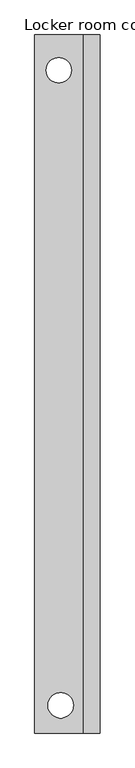
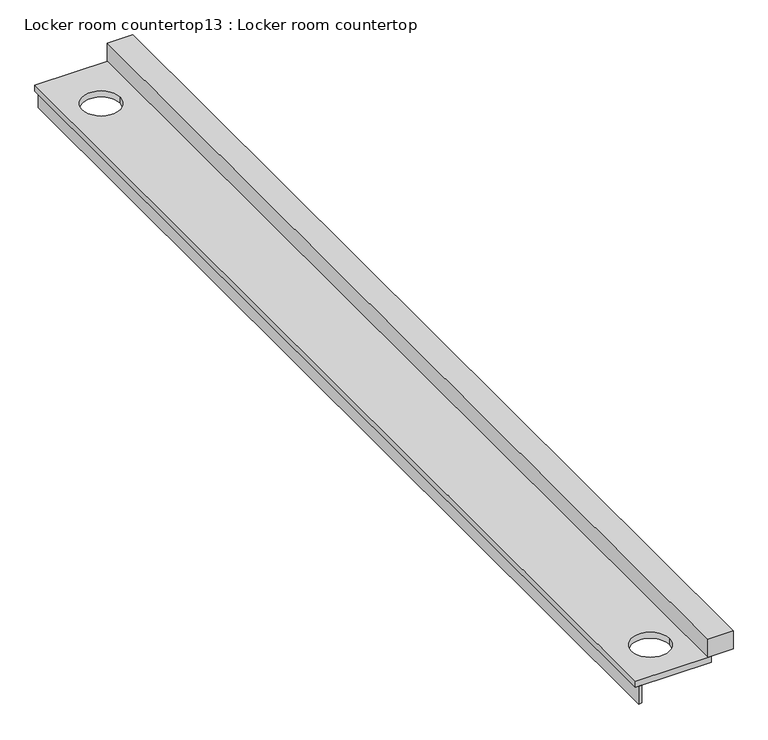
"""IFC4 building model written with IfcOpenShell, lengths in millimetres: furniture geometry, Locker room countertop13 : Locker room countertop."""

from ifc_helpers import new_model, si_unit, point, frame, frame_2d, origin, place, context, project, spatial, polyline, circle_curve, trimmed, segment, composite_curve, outline, extrude, source, transform, mapped, element, save


def locker_room_countertop13_locker_room_countertop_7bc187d3(model_context):
    return source(origin(), model_context, "Body", "SweptSolid", [
        extrude(outline(polyline([(459985.8504676, -270764.8080223), (459985.8504676, -262382.8080223), (460011.2504676, -262382.8080223), (460011.2504676, -270764.8080223), (459985.8504676, -270764.8080223)])), frame((0.0, 0.0, 660.4), z_axis=(0.0, 0.0, 1.0), x_axis=(1.0, 0.0, 0.0)), (0.0, 0.0, 1.0), 152.4),
        extrude(outline(polyline([(460544.6504676, -262382.8080223), (460747.8504676, -262382.8080223), (460747.8504676, -270764.8080223), (460544.6504676, -270764.8080223), (460544.6504676, -262382.8080223)])), frame((0.0, 0.0, 863.6), z_axis=(0.0, 0.0, 1.0), x_axis=(1.0, 0.0, 0.0)), (0.0, 0.0, 1.0), 152.4),
        extrude(outline(polyline([(459960.4504676, -262382.8080223), (460570.0504676, -262382.8080223), (460570.0504676, -270764.8080223), (459960.4504676, -270764.8080223), (459960.4504676, -262382.8080223)]), holes=[composite_curve([segment(trimmed(circle_curve(frame_2d((460249.1447559, -262807.2737766)), 152.4), [point((460401.5447559, -262807.2737766))], [point((460096.7447559, -262807.2737766))], True, "CARTESIAN"), True, "CONTINUOUS"), segment(trimmed(circle_curve(frame_2d((460249.1447559, -262807.2737766)), 152.4), [point((460096.7447559, -262807.2737766))], [point((460401.5447559, -262807.2737766))], True, "CARTESIAN"), True, "CONTINUOUS")], self_intersect=False), composite_curve([segment(trimmed(circle_curve(frame_2d((460272.581704, -270432.2263657)), 152.4), [point((460424.981704, -270432.2263657))], [point((460120.181704, -270432.2263657))], True, "CARTESIAN"), True, "CONTINUOUS"), segment(trimmed(circle_curve(frame_2d((460272.581704, -270432.2263657)), 152.4), [point((460120.181704, -270432.2263657))], [point((460424.981704, -270432.2263657))], True, "CARTESIAN"), True, "CONTINUOUS")], self_intersect=False)]), frame((0.0, 0.0, 812.8), z_axis=(0.0, 0.0, 1.0), x_axis=(1.0, 0.0, 0.0)), (0.0, 0.0, 1.0), 50.8),
    ])


if __name__ == "__main__":
    model = new_model("IFC4")
    model_context = context("Model", 3, world=origin())
    ifc_project = project(units=[si_unit("LENGTHUNIT", "METRE", prefix="MILLI")], contexts=[model_context])
    site = spatial("IfcSite", under=ifc_project)
    building = spatial("IfcBuilding", under=site)
    placement = place(None, origin())
    locker_room_countertop13_locker_room_countertop_shape = locker_room_countertop13_locker_room_countertop_7bc187d3(model_context)
    element("IfcFurniture", 1, ObjectType="Locker room countertop13 : Locker room countertop", at=placement, inside=building, context=model_context, shape_type="MappedRepresentation", body=[
        mapped(locker_room_countertop13_locker_room_countertop_shape, transform((0.0, 0.0, 0.0), x_axis=(1.0, 0.0, 0.0), y_axis=(0.0, 1.0, 0.0), z_axis=(0.0, 0.0, 1.0))),
    ])
    save(model, "model.ifc")
